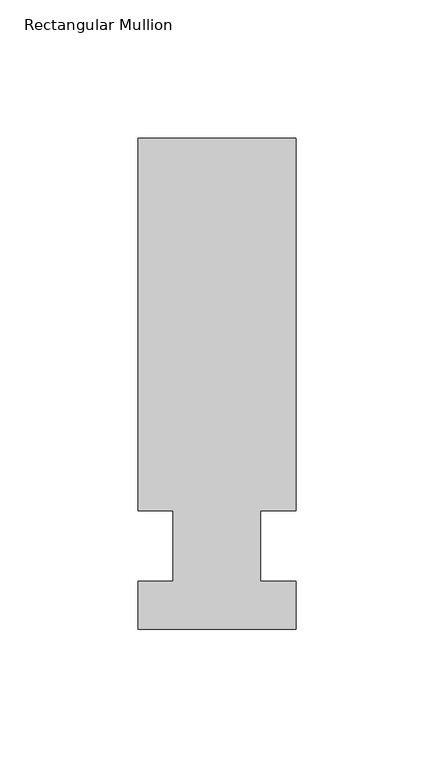
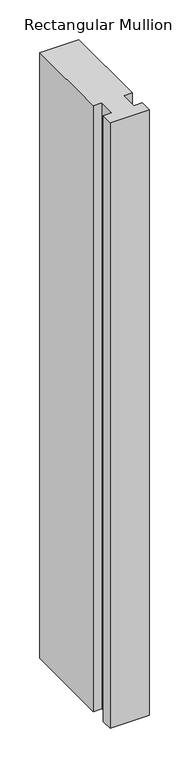
"""IFC4 building model written with IfcOpenShell, lengths in millimetres: member geometry, Rectangular Mullion."""

from ifc_helpers import new_model, si_unit, frame, origin, place, context, project, spatial, polyline, outline, extrude, source, transform, mapped, element, save


def rectangular_mullion_9ebe4d05(model_context):
    return source(origin(), model_context, "Body", "SweptSolid", [
        extrude(outline(polyline([(28.575, 147.6375), (28.575, 12.7), (15.8732296, 12.7), (15.8732296, -12.7), (28.575, -12.7), (28.575, -30.1625), (-28.575, -30.1625), (-28.575, -12.7), (-15.875, -12.7), (-15.875, 12.7), (-28.575, 12.7), (-28.575, 147.6375), (28.575, 147.6375)])), frame((0.0, 0.0, -933.45), z_axis=(0.0, 0.0, 1.0), x_axis=(1.0, 0.0, 0.0)), (0.0, 0.0, 1.0), 933.45),
    ])


if __name__ == "__main__":
    model = new_model("IFC4")
    model_context = context("Model", 3, world=origin())
    ifc_project = project(units=[si_unit("LENGTHUNIT", "METRE", prefix="MILLI")], contexts=[model_context])
    site = spatial("IfcSite", under=ifc_project)
    building = spatial("IfcBuilding", under=site)
    placement = place(None, origin())
    rectangular_mullion_shape = rectangular_mullion_9ebe4d05(model_context)
    element("IfcMember", 1, ObjectType="Rectangular Mullion", at=placement, inside=building, context=model_context, shape_type="MappedRepresentation", body=[
        mapped(rectangular_mullion_shape, transform((0.0, 0.0, 0.0), x_axis=(1.0, 0.0, 0.0), y_axis=(0.0, 1.0, 0.0), z_axis=(0.0, 0.0, 1.0))),
    ])
    save(model, "model.ifc")
